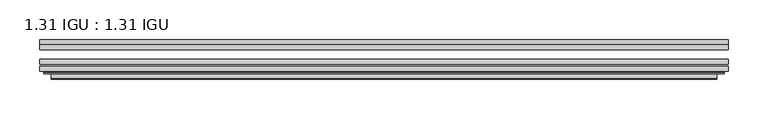
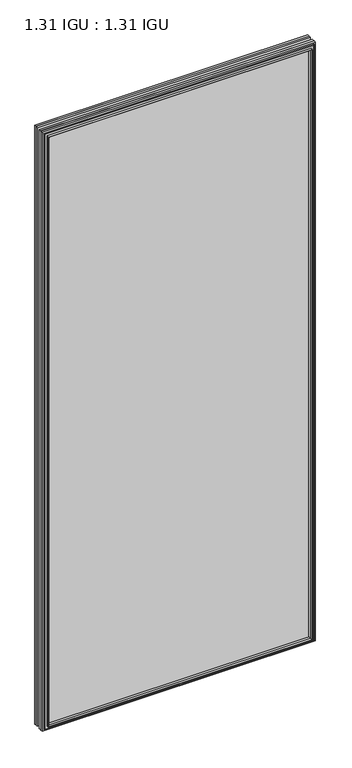
"""IFC4 building model written with IfcOpenShell, lengths in millimetres: plate geometry, 1.31 IGU : 1.31 IGU."""

from ifc_helpers import new_model, si_unit, frame, origin, place, context, project, spatial, polyline, ellipse_curve, outline, extrude, faceted_brep, source, transform, mapped, element, save
from ifc_brep_helpers import plane_surface, cylinder_surface, advanced_brep


def plate_1_31_igu_1_31_igu_67573ebe(model_context):
    return source(origin(), model_context, "Body", "SolidModel", [
        extrude(outline(polyline([(433.401675, -66.4725937), (433.401675, -72.8225938), (-433.3875, -72.8225938), (-433.3875, -66.4725937), (433.401675, -66.4725937)])), frame((0.0, 0.0, -14.2875), z_axis=(0.0, 0.0, 1.0), x_axis=(1.0, 0.0, 0.0)), (0.0, 0.0, 1.0), 2009.7964726),
        extrude(outline(polyline([(-433.3875, -81.4585938), (-433.3875, -75.1080887), (433.401675, -75.1080887), (433.401675, -81.4585938), (-433.3875, -81.4585938)])), frame((0.0, 0.0, -14.2875), z_axis=(0.0, 0.0, 1.0), x_axis=(1.0, 0.0, 0.0)), (0.0, 0.0, 1.0), 2009.7964726),
        extrude(outline(polyline([(433.401675, -48.1337937), (433.401675, -54.4837938), (-433.3875, -54.4837938), (-433.3875, -48.1337937), (433.401675, -48.1337937)])), frame((0.0, 0.0, -14.2875), z_axis=(0.0, 0.0, 1.0), x_axis=(1.0, 0.0, 0.0)), (0.0, 0.0, 1.0), 2009.7964726),
        faceted_brep([(-419.0946902, -41.7837938, 1981.2123649), (-418.2022559, -48.1337937, 1980.3199306), (-418.2022559, -48.1337937, 0.8977441), (-419.0946902, -41.7837938, 0.0053098), (-433.4002, -48.1337937, 1995.5178747), (-433.4002, -41.7837938, 1995.5178747), (-433.4002, -41.7837938, -14.3002), (-433.4002, -48.1337937, -14.3002), (418.2022559, -48.1337937, 0.8977441), (419.0946902, -41.7837938, 0.0053098), (433.4002, -41.7837938, -14.3002), (433.4002, -48.1337937, -14.3002), (418.2022559, -48.1337937, 1980.3199306), (419.0946902, -41.7837938, 1981.2123649), (433.4002, -41.7837938, 1995.5178747), (433.4002, -48.1337937, 1995.5178747)], [[[0, 1, 2, 3]], [[4, 5, 6, 7]], [[3, 2, 8, 9]], [[7, 6, 10, 11]], [[9, 8, 12, 13]], [[11, 10, 14, 15]], [[7, 11, 15, 4], [1, 12, 8, 2]], [[13, 12, 1, 0]], [[5, 14, 10, 6], [3, 9, 13, 0]], [[15, 14, 5, 4]]]),
        advanced_brep(
        [(-427.4986349, -84.6335938, 1989.6163096), (-428.5004244, -83.4482604, 1990.6180991), (-428.5004244, -83.4482604, -9.4004244), (-427.4986349, -84.6335938, -8.3986349), (-419.0945784, -91.0948368, 1981.2122532), (-419.0945784, -84.6335938, 1981.2122532), (-419.0945784, -84.6335938, 0.0054216), (-419.0945784, -91.0948368, 0.0054216), (-418.1039217, -90.6958619, 1980.2215964), (-418.1039217, -90.6958619, 0.9960783), (-417.0718939, -85.2986307, 1979.1895686), (-417.0718939, -85.2986307, 2.0281061), (-412.1370621, -81.4585938, 1974.2547368), (-412.1370621, -81.4585938, 6.9629379), (-426.146219, -81.4585938, 1988.2638938), (-426.146219, -81.4585938, -7.046219), (428.5004244, -83.4482604, -9.4004244), (427.4986349, -84.6335938, -8.3986349), (419.0945784, -84.6335938, 0.0054216), (419.0945784, -91.0948368, 0.0054216), (418.1039217, -90.6958619, 0.9960783), (417.0718939, -85.2986307, 2.0281061), (412.1370621, -81.4585938, 6.9629379), (426.146219, -81.4585938, -7.046219), (428.5004244, -83.4482604, 1990.6180991), (427.4986349, -84.6335938, 1989.6163096), (419.0945784, -84.6335938, 1981.2122532), (419.0945784, -91.0948368, 1981.2122532), (418.1039217, -90.6958619, 1980.2215964), (417.0718939, -85.2986307, 1979.1895686), (412.1370621, -81.4585938, 1974.2547368), (426.146219, -81.4585938, 1988.2638938)],
        [
            (0, 1, ellipse_curve(frame((-427.4986349, -83.6175938, 1989.6163096), z_axis=(-0.7071067811865475, 0.0, -0.7071067811865475), x_axis=(-0.7071067811865474, 0.0, 0.7071067811865476)), 1.436841, 1.016)),
            (1, 2),
            (2, 3, ellipse_curve(frame((-427.4986349, -83.6175938, -8.3986349), z_axis=(-0.7071067811865475, 0.0, 0.7071067811865475), x_axis=(0.7071067811865474, 0.0, 0.7071067811865476)), 1.436841, 1.016)),
            (3, 0),
            (4, 5),
            (5, 6),
            (6, 7),
            (7, 4),
            (8, 4, ellipse_curve(frame((-418.7276219, -90.5766015, 1980.8452966), z_axis=(-0.7071067811865475, 0.0, -0.7071067811865475), x_axis=(-0.7071067811865474, 0.0, 0.7071067811865476)), 0.8980256, 0.635)),
            (7, 9, ellipse_curve(frame((-418.7276219, -90.5766015, 0.3723781), z_axis=(-0.7071067811865475, 0.0, 0.7071067811865475), x_axis=(0.7071067811865474, 0.0, 0.7071067811865476)), 0.8980256, 0.635)),
            (9, 8),
            (10, 8),
            (9, 11),
            (11, 10),
            (12, 10),
            (11, 13),
            (13, 12),
            (1, 14, ellipse_curve(frame((-426.146219, -83.8461938, 1988.2638938), z_axis=(-0.7071067811865475, 0.0, -0.7071067811865475), x_axis=(-0.7071067811865474, 0.0, 0.7071067811865476)), 3.3765763, 2.3876)),
            (14, 15),
            (15, 2, ellipse_curve(frame((-426.146219, -83.8461938, -7.046219), z_axis=(-0.7071067811865475, 0.0, 0.7071067811865475), x_axis=(0.7071067811865474, 0.0, 0.7071067811865476)), 3.3765763, 2.3876)),
            (2, 16),
            (16, 17, ellipse_curve(frame((427.4986349, -83.6175938, -8.3986349), z_axis=(-0.7071067811865475, 0.0, -0.7071067811865475), x_axis=(-0.7071067811865476, 0.0, 0.7071067811865474)), 1.436841, 1.016)),
            (17, 3),
            (6, 18),
            (18, 19),
            (19, 7),
            (19, 20, ellipse_curve(frame((418.7276219, -90.5766015, 0.3723781), z_axis=(-0.7071067811865475, 0.0, -0.7071067811865475), x_axis=(-0.7071067811865476, 0.0, 0.7071067811865474)), 0.8980256, 0.635)),
            (20, 9),
            (20, 21),
            (21, 11),
            (21, 22),
            (22, 13),
            (15, 23),
            (23, 16, ellipse_curve(frame((426.146219, -83.8461938, -7.046219), z_axis=(-0.7071067811865475, 0.0, -0.7071067811865475), x_axis=(-0.7071067811865476, 0.0, 0.7071067811865474)), 3.3765763, 2.3876)),
            (16, 24),
            (24, 25, ellipse_curve(frame((427.4986349, -83.6175938, 1989.6163096), z_axis=(0.7071067811865475, 0.0, -0.7071067811865475), x_axis=(-0.7071067811865474, 0.0, -0.7071067811865476)), 1.436841, 1.016)),
            (25, 17),
            (18, 26),
            (26, 27),
            (27, 19),
            (27, 28, ellipse_curve(frame((418.7276219, -90.5766015, 1980.8452966), z_axis=(0.7071067811865475, 0.0, -0.7071067811865475), x_axis=(-0.7071067811865474, 0.0, -0.7071067811865476)), 0.8980256, 0.635)),
            (28, 20),
            (28, 29),
            (29, 21),
            (29, 30),
            (30, 22),
            (23, 31),
            (31, 24, ellipse_curve(frame((426.146219, -83.8461938, 1988.2638938), z_axis=(0.7071067811865475, 0.0, -0.7071067811865475), x_axis=(-0.7071067811865474, 0.0, -0.7071067811865476)), 3.3765763, 2.3876)),
            (24, 1),
            (0, 25),
            (5, 26),
            (4, 27),
            (8, 28),
            (10, 29),
            (12, 30),
            (14, 31),
        ],
        [
            cylinder_surface(frame((-427.4986349, -83.6175938, 2012.9676747), z_axis=(0.0, 0.0, 1.0), x_axis=(-1.0, 0.0, 0.0)), 1.016),
            plane_surface(frame((-419.0945784, -84.6335938, 1981.2122532), z_axis=(-1.0, 0.0, 0.0), x_axis=(0.0, 0.0, -1.0))),
            cylinder_surface(frame((-418.7276219, -90.5766015, 2012.9676747), z_axis=(0.0, 0.0, 1.0), x_axis=(-1.0, 0.0, 0.0)), 0.635),
            plane_surface(frame((-418.1039217, -90.6958619, 1980.2215964), z_axis=(0.9822050625507717, -0.1878116479338675, 0.0), x_axis=(0.0, 0.0, -1.0))),
            plane_surface(frame((-417.0718939, -85.2986307, 1979.1895686), z_axis=(0.6141233906514726, -0.7892100234124875, 0.0), x_axis=(0.0, 0.0, -1.0))),
            cylinder_surface(frame((-426.146219, -83.8461938, 2012.9676747), z_axis=(0.0, 0.0, 1.0), x_axis=(-1.0, 0.0, 0.0)), 2.3876),
            cylinder_surface(frame((-450.85, -83.6175938, -8.3986349), z_axis=(-1.0, 0.0, 0.0), x_axis=(0.0, 0.0, -1.0)), 1.016),
            plane_surface(frame((-419.0945784, -84.6335938, 0.0054216), z_axis=(0.0, 0.0, -1.0), x_axis=(1.0, 0.0, 0.0))),
            cylinder_surface(frame((-450.85, -90.5766015, 0.3723781), z_axis=(-1.0, 0.0, 0.0), x_axis=(0.0, 0.0, -1.0)), 0.635),
            plane_surface(frame((-418.1039217, -90.6958619, 0.9960783), z_axis=(0.0, -0.18781164793386435, 0.9822050625507722), x_axis=(1.0, 0.0, 0.0))),
            plane_surface(frame((-417.0718939, -85.2986307, 2.0281061), z_axis=(0.0, -0.7892100234124855, 0.6141233906514751), x_axis=(1.0, 0.0, 0.0))),
            cylinder_surface(frame((-450.85, -83.8461938, -7.046219), z_axis=(-1.0, 0.0, 0.0), x_axis=(0.0, 0.0, -1.0)), 2.3876),
            cylinder_surface(frame((427.4986349, -83.6175938, -31.75), z_axis=(0.0, 0.0, -1.0), x_axis=(1.0, 0.0, 0.0)), 1.016),
            plane_surface(frame((419.0945784, -84.6335938, 0.0054216), z_axis=(1.0, 0.0, 0.0), x_axis=(0.0, 0.0, 1.0))),
            cylinder_surface(frame((418.7276219, -90.5766015, -31.75), z_axis=(0.0, 0.0, -1.0), x_axis=(1.0, 0.0, 0.0)), 0.635),
            plane_surface(frame((418.1039217, -90.6958619, 0.9960783), z_axis=(-0.9822050625507728, -0.18781164793386118, 0.0), x_axis=(0.0, 0.0, 1.0))),
            plane_surface(frame((417.0718939, -85.2986307, 2.0281061), z_axis=(-0.6141233906514777, -0.7892100234124835, 0.0), x_axis=(0.0, 0.0, 1.0))),
            cylinder_surface(frame((426.146219, -83.8461938, -31.75), z_axis=(0.0, 0.0, -1.0), x_axis=(1.0, 0.0, 0.0)), 2.3876),
            cylinder_surface(frame((450.85, -83.6175938, 1989.6163096), z_axis=(1.0, 0.0, 0.0), x_axis=(0.0, 0.0, 1.0)), 1.016),
            plane_surface(frame((427.4986349, -84.6335938, 1989.6163096), z_axis=(0.0, -1.0, 0.0), x_axis=(-1.0, 0.0, 0.0))),
            plane_surface(frame((419.0945784, -84.6335938, 1981.2122532), z_axis=(0.0, 0.0, 1.0), x_axis=(-1.0, 0.0, 0.0))),
            cylinder_surface(frame((450.85, -90.5766015, 1980.8452966), z_axis=(1.0, 0.0, 0.0), x_axis=(0.0, 0.0, 1.0)), 0.635),
            plane_surface(frame((418.1039217, -90.6958619, 1980.2215964), z_axis=(0.0, -0.18781164793386435, -0.9822050625507722), x_axis=(-1.0, 0.0, 0.0))),
            plane_surface(frame((417.0718939, -85.2986307, 1979.1895686), z_axis=(0.0, -0.7892100234124855, -0.6141233906514751), x_axis=(-1.0, 0.0, 0.0))),
            plane_surface(frame((412.1370621, -81.4585938, 1974.2547368), z_axis=(0.0, 1.0, 0.0), x_axis=(-1.0, 0.0, 0.0))),
            cylinder_surface(frame((450.85, -83.8461938, 1988.2638938), z_axis=(1.0, 0.0, 0.0), x_axis=(0.0, 0.0, 1.0)), 2.3876),
        ],
        [
            (0, [[1, 2, 3, 4]]),
            (1, [[5, 6, 7, 8]]),
            (2, [[9, -8, 10, 11]]),
            (3, [[12, -11, 13, 14]]),
            (4, [[15, -14, 16, 17]]),
            (5, [[18, 19, 20, -2]]),
            (6, [[-3, 21, 22, 23]]),
            (7, [[-7, 24, 25, 26]]),
            (8, [[-10, -26, 27, 28]]),
            (9, [[-13, -28, 29, 30]]),
            (10, [[-16, -30, 31, 32]]),
            (11, [[-20, 33, 34, -21]]),
            (12, [[-22, 35, 36, 37]]),
            (13, [[-25, 38, 39, 40]]),
            (14, [[-27, -40, 41, 42]]),
            (15, [[-29, -42, 43, 44]]),
            (16, [[-31, -44, 45, 46]]),
            (17, [[-34, 47, 48, -35]]),
            (18, [[-36, 49, -1, 50]]),
            (19, [[-23, -37, -50, -4], [51, -38, -24, -6]]),
            (20, [[-39, -51, -5, 52]]),
            (21, [[-41, -52, -9, 53]]),
            (22, [[-43, -53, -12, 54]]),
            (23, [[-45, -54, -15, 55]]),
            (24, [[56, -47, -33, -19], [-32, -46, -55, -17]]),
            (25, [[-48, -56, -18, -49]]),
        ],
    ),
    ])


if __name__ == "__main__":
    model = new_model("IFC4")
    model_context = context("Model", 3, world=origin())
    ifc_project = project(units=[si_unit("LENGTHUNIT", "METRE", prefix="MILLI")], contexts=[model_context])
    site = spatial("IfcSite", under=ifc_project)
    building = spatial("IfcBuilding", under=site)
    placement = place(None, origin())
    plate_1_31_igu_1_31_igu_shape = plate_1_31_igu_1_31_igu_67573ebe(model_context)
    element("IfcPlate", 1, ObjectType="1.31 IGU : 1.31 IGU", at=placement, inside=building, context=model_context, shape_type="MappedRepresentation", body=[
        mapped(plate_1_31_igu_1_31_igu_shape, transform((0.0, 0.0, 0.0), x_axis=(1.0, 0.0, 0.0), y_axis=(0.0, 1.0, 0.0), z_axis=(0.0, 0.0, 1.0))),
    ])
    save(model, "model.ifc")
